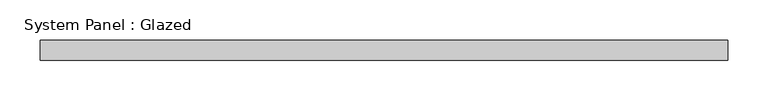
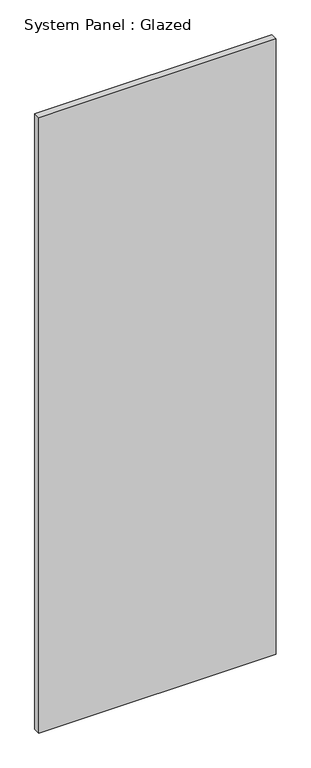
"""IFC4 building model written with IfcOpenShell, lengths in millimetres: plate geometry, System Panel : Glazed."""

from ifc_helpers import new_model, si_unit, origin, origin_with_axes, place, context, project, spatial, polyline, outline, extrude, source, transform, mapped, element, save


def system_panel_glazed_bf0e6363(model_context):
    return source(origin(), model_context, "Body", "SweptSolid", [
        extrude(outline(polyline([(428.625, 0.0), (-428.625, 0.0), (-428.625, 25.4), (428.625, 25.4), (428.625, 0.0)])), origin_with_axes(), (0.0, 0.0, 1.0), 2349.5),
    ])


if __name__ == "__main__":
    model = new_model("IFC4")
    model_context = context("Model", 3, world=origin())
    ifc_project = project(units=[si_unit("LENGTHUNIT", "METRE", prefix="MILLI")], contexts=[model_context])
    site = spatial("IfcSite", under=ifc_project)
    building = spatial("IfcBuilding", under=site)
    placement = place(None, origin())
    system_panel_glazed_shape = system_panel_glazed_bf0e6363(model_context)
    element("IfcPlate", 1, ObjectType="System Panel : Glazed", at=placement, inside=building, context=model_context, shape_type="MappedRepresentation", body=[
        mapped(system_panel_glazed_shape, transform((0.0, 0.0, 0.0), x_axis=(1.0, 0.0, 0.0), y_axis=(0.0, 1.0, 0.0), z_axis=(0.0, 0.0, 1.0))),
    ])
    save(model, "model.ifc")
